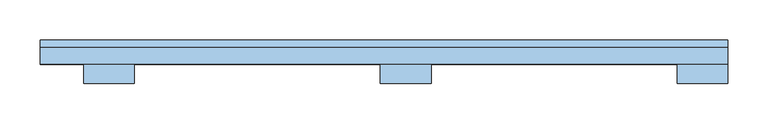
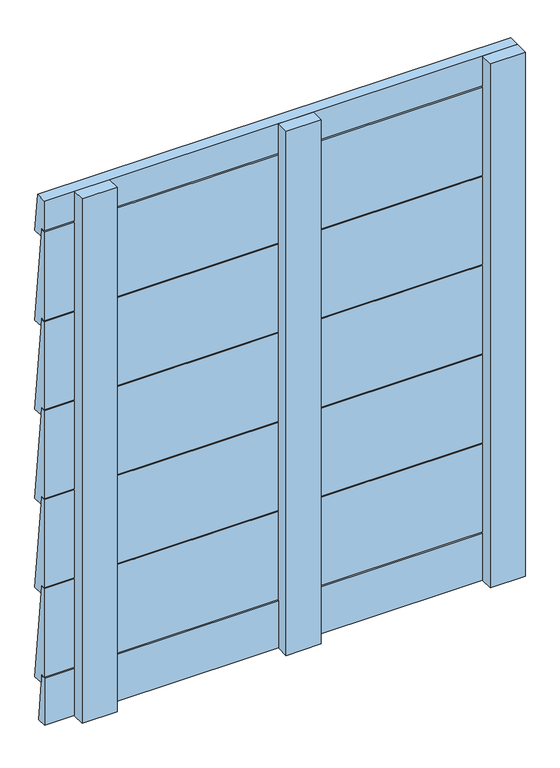
"""IFC4 building model written with IfcOpenShell, lengths in millimetres: window geometry."""

from ifc_helpers import new_model, si_unit, frame, origin, place, context, project, spatial, polyline, outline, extrude, source, transform, mapped, element, save


def window_65d08708(model_context):
    return source(origin(), model_context, "Body", "SweptSolid", [
        extrude(outline(polyline([(58.4476803, 360.0), (80.0, 175.0), (60.4838046, 175.9114287), (60.4838046, 192.0), (50.4838046, 192.0), (50.4838046, 360.0), (58.4476803, 360.0)])), frame((-454.0, 0.0, 0.0), z_axis=(1.0, 0.0, 0.0), x_axis=(0.0, 1.0, 0.0)), (0.0, 0.0, 1.0), 854.0),
        extrude(outline(polyline([(58.4476803, 530.0), (80.0, 345.0), (60.4838046, 345.9114287), (60.4838046, 362.0), (50.4838046, 362.0), (50.4838046, 530.0), (58.4476803, 530.0)])), frame((-454.0, 0.0, 0.0), z_axis=(1.0, 0.0, 0.0), x_axis=(0.0, 1.0, 0.0)), (0.0, 0.0, 1.0), 854.0),
        extrude(outline(polyline([(58.4476803, 700.0), (80.0, 515.0), (60.4838046, 515.9114287), (60.4838046, 532.0), (50.4838046, 532.0), (50.4838046, 700.0), (58.4476803, 700.0)])), frame((-454.0, 0.0, 0.0), z_axis=(1.0, 0.0, 0.0), x_axis=(0.0, 1.0, 0.0)), (0.0, 0.0, 1.0), 854.0),
        extrude(outline(polyline([(58.4476803, 870.0), (80.0, 685.0), (60.4838046, 685.9114287), (60.4838046, 702.0), (50.4838046, 702.0), (50.4838046, 870.0), (58.4476803, 870.0)])), frame((-454.0, 0.0, 0.0), z_axis=(1.0, 0.0, 0.0), x_axis=(0.0, 1.0, 0.0)), (0.0, 0.0, 1.0), 854.0),
        extrude(outline(polyline([(58.4476803, 1040.0), (80.0, 855.0), (60.4838046, 855.9114287), (60.4838046, 872.0), (50.4838046, 872.0), (50.4838046, 1040.0), (58.4476803, 1040.0)])), frame((-454.0, 0.0, 0.0), z_axis=(1.0, 0.0, 0.0), x_axis=(0.0, 1.0, 0.0)), (0.0, 0.0, 1.0), 854.0),
        extrude(outline(polyline([(57.9254859, 190.0), (68.7056841, 100.0), (50.0, 100.0), (50.0, 190.0), (57.9254859, 190.0)])), frame((-454.0, 0.0, 0.0), z_axis=(1.0, 0.0, 0.0), x_axis=(0.0, 1.0, 0.0)), (0.0, 0.0, 1.0), 854.0),
        extrude(outline(polyline([(71.3790721, 1100.0), (80.0, 1026.0), (60.4935219, 1026.9114287), (60.4935219, 1043.0), (50.4935219, 1043.0), (50.4935219, 1100.0), (71.3790721, 1100.0)])), frame((-454.0, 0.0, 0.0), z_axis=(1.0, 0.0, 0.0), x_axis=(0.0, 1.0, 0.0)), (0.0, 0.0, 1.0), 854.0),
        extrude(outline(polyline([(-31.5, 50.1), (31.5, 50.1), (31.5, 26.1), (-31.5, 26.1), (-31.5, 50.1)])), frame((0.0, 0.0, 100.0), z_axis=(0.0, 0.0, 1.0), x_axis=(1.0, 0.0, 0.0)), (0.0, 0.0, 1.0), 1000.0),
        extrude(outline(polyline([(-400.0, 50.0), (-337.0, 50.0), (-337.0, 26.0), (-400.0, 26.0), (-400.0, 50.0)])), frame((0.0, 0.0, 100.0), z_axis=(0.0, 0.0, 1.0), x_axis=(1.0, 0.0, 0.0)), (0.0, 0.0, 1.0), 1000.0),
        extrude(outline(polyline([(337.0, 50.0), (400.0, 50.0), (400.0, 26.0), (337.0, 26.0), (337.0, 50.0)])), frame((0.0, 0.0, 100.0), z_axis=(0.0, 0.0, 1.0), x_axis=(1.0, 0.0, 0.0)), (0.0, 0.0, 1.0), 1000.0),
    ])


if __name__ == "__main__":
    model = new_model("IFC4")
    model_context = context("Model", 3, world=origin())
    ifc_project = project(units=[si_unit("LENGTHUNIT", "METRE", prefix="MILLI")], contexts=[model_context])
    site = spatial("IfcSite", under=ifc_project)
    building = spatial("IfcBuilding", under=site)
    placement = place(None, origin())
    window_shape = window_65d08708(model_context)
    element("IfcWindow", 1, at=placement, inside=building, context=model_context, shape_type="MappedRepresentation", body=[
        mapped(window_shape, transform((0.0, 0.0, 0.0), x_axis=(1.0, 0.0, 0.0), y_axis=(0.0, 1.0, 0.0), z_axis=(0.0, 0.0, 1.0))),
    ])
    save(model, "model.ifc")
